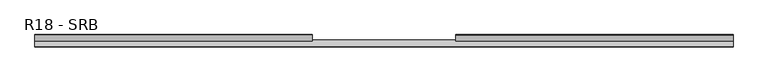
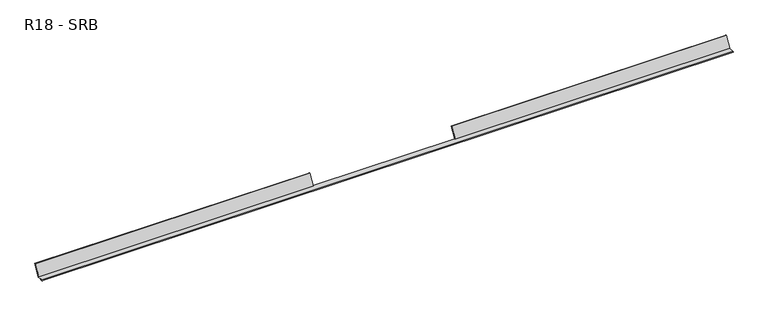
"""IFC4 building model written with IfcOpenShell, lengths in millimetres: proxy geometry, R18 - SRB."""

from ifc_helpers import new_model, si_unit, frame, origin, place, context, project, spatial, polyline, circle_curve, source, transform, mapped, element, save
from ifc_brep_helpers import plane_surface, cylinder_surface, revolved_surface, advanced_brep


def r18_srb_7fc85b00(model_context):
    return source(origin(), model_context, "Body", "AdvancedBrep", [
        advanced_brep(
        [(1625.0, 30.9137005, 26.8467875), (929.5, 30.9137005, 26.8467875), (929.5, 30.0476751, 27.3467875), (1625.0, 30.0476751, 27.3467875), (1625.0, 15.8910508, 0.8267949), (1625.0, 15.3137005, -0.1732051), (929.5, 15.3137005, -0.1732051), (929.5, 15.8910508, 0.8267949), (929.5, 15.0250254, 1.3267949), (929.5, 14.7363503, 0.8267949), (1625.0, 14.7363503, 0.8267949), (1625.0, 15.0250254, 1.3267949), (570.5, 15.8910508, 0.8267949), (570.5, 15.3137005, -0.1732051), (-125.0, 15.3137005, -0.1732051), (-125.0, 15.8910508, 0.8267949), (-125.0, 30.9137005, 26.8467875), (570.5, 30.9137005, 26.8467875), (-125.0, 15.0250254, 1.3267949), (-125.0, 14.7363503, 0.8267949), (570.5, 14.7363503, 0.8267949), (570.5, 15.0250254, 1.3267949), (570.5, 30.0476751, 27.3467875), (-125.0, 30.0476751, 27.3467875), (-125.0, 14.159, 0.8267949), (-125.0, 14.159, -0.1732051), (-125.0, 1.5637005, 0.8267949), (1625.0, 1.5637005, 0.8267949), (1625.0, 14.159, 0.8267949), (929.5, 14.159, 0.8267949), (928.5, 14.159, 0.8267949), (928.5, 17.159, 0.8267949), (571.5, 17.159, 0.8267949), (571.5, 14.159, 0.8267949), (570.5, 14.159, 0.8267949), (929.5, 14.159, -0.1732051), (928.5, 14.159, -0.1732051), (928.5, 17.159, -0.1732051), (571.5, 14.159, -0.1732051), (571.5, 17.159, -0.1732051), (570.5, 14.159, -0.1732051), (-125.0, 1.5637005, -1.6732051), (-125.0, 1.5637005, -0.6732051), (-125.0, 6.3137005, -0.6732051), (-125.0, 6.3137005, -1.6732051), (1625.0, 1.5637005, -1.6732051), (1625.0, 1.5637005, -0.6732051), (1625.0, 1.5637005, -0.1732051), (1625.0, 6.3137005, -1.6732051), (1625.0, 6.3137005, -0.6732051), (-125.0, 1.5637005, -0.1732051), (1625.0, 14.159, -0.1732051)],
        [
            (0, 1),
            (1, 2),
            (2, 3),
            (3, 0),
            (0, 4),
            (4, 5),
            (5, 6),
            (6, 7),
            (7, 1),
            (2, 8),
            (8, 9),
            (9, 10),
            (10, 11),
            (11, 3),
            (12, 13),
            (13, 14),
            (14, 15),
            (15, 16),
            (16, 17),
            (17, 12),
            (18, 19),
            (19, 20),
            (20, 21),
            (21, 22),
            (22, 23),
            (23, 18),
            (24, 19),
            (18, 15),
            (14, 25),
            (25, 24),
            (24, 26),
            (26, 27),
            (27, 28),
            (28, 10),
            (9, 29),
            (29, 30),
            (30, 31),
            (31, 32),
            (32, 33),
            (33, 34),
            (34, 20),
            (8, 7),
            (6, 35),
            (35, 29),
            (30, 36),
            (36, 37),
            (37, 31),
            (38, 33),
            (32, 39),
            (39, 38),
            (37, 39),
            (35, 36),
            (38, 40),
            (40, 34),
            (41, 42),
            (42, 43),
            (43, 44),
            (44, 41),
            (45, 46),
            (46, 47, circle_curve(frame((1625.0, 1.5637005, -0.4232051), z_axis=(-1.0, 0.0, 0.0), x_axis=(0.0, 0.0, 1.0)), 0.25)),
            (47, 27),
            (27, 45, circle_curve(frame((1625.0, 1.5637005, -0.4232051), z_axis=(1.0, 0.0, 0.0), x_axis=(0.0, 0.0, -1.0)), 1.25)),
            (26, 41, circle_curve(frame((-125.0, 1.5637005, -0.4232051), z_axis=(1.0, 0.0, 0.0), x_axis=(0.0, 0.0, -1.0)), 1.25)),
            (41, 45),
            (44, 48),
            (48, 45),
            (43, 49),
            (49, 48),
            (42, 46),
            (46, 49),
            (42, 50, circle_curve(frame((-125.0, 1.5637005, -0.4232051), z_axis=(-1.0, 0.0, 0.0), x_axis=(0.0, 0.0, 1.0)), 0.25)),
            (50, 47),
            (26, 50),
            (25, 50),
            (47, 51),
            (51, 28),
            (51, 5),
            (4, 11),
            (40, 13),
            (12, 21),
            (22, 17),
            (16, 23),
        ],
        [
            plane_surface(frame((1500.0, 30.0476751, 27.3467875), z_axis=(0.0, 0.500000000000001, 0.8660254037844382), x_axis=(0.0, -0.8660254037844382, 0.500000000000001))),
            plane_surface(frame((750.0, 22.3253846, 11.9713879), z_axis=(0.0, 0.866025403784438, -0.500000000000001), x_axis=(1.0, 0.0, 0.0))),
            plane_surface(frame((750.0, 21.4593592, 12.4713879), z_axis=(0.0, -0.866025403784438, 0.500000000000001), x_axis=(1.0, 0.0, 0.0))),
            plane_surface(frame((-125.0, 14.159, 0.8267949), z_axis=(-1.0, 0.0, 0.0), x_axis=(0.0, 0.0, 1.0))),
            plane_surface(frame((222.75, 7.9903325, 0.8267949), z_axis=(0.0, 0.0, 1.0), x_axis=(-1.0, 0.0, 0.0))),
            plane_surface(frame((929.5, 14.159, 0.8267949), z_axis=(-1.0, 0.0, 0.0), x_axis=(0.0, 0.0, 1.0))),
            plane_surface(frame((928.5, 14.159, 0.8267949), z_axis=(1.0, 0.0, 0.0), x_axis=(0.0, 0.0, -1.0))),
            plane_surface(frame((571.5, 14.159, -0.1732051), z_axis=(-1.0, 0.0, 0.0), x_axis=(0.0, 0.0, 1.0))),
            plane_surface(frame((750.0, 17.159, 0.3267949), z_axis=(0.0, 1.0, 0.0), x_axis=(0.0, 0.0, 1.0))),
            plane_surface(frame((570.5, 14.159, -0.1732051), z_axis=(0.0, 1.0, 0.0), x_axis=(0.0, 0.0, 1.0))),
            plane_surface(frame((1625.0, 14.159, -0.1732051), z_axis=(1.0, 0.0, 0.0), x_axis=(0.0, 0.0, -1.0))),
            cylinder_surface(frame((1625.0, 1.5637005, -0.4232051), z_axis=(-1.0, 0.0, 0.0), x_axis=(0.0, 0.0, -1.0)), 1.25),
            plane_surface(frame((1625.0, 1.5637005, -1.6732051), z_axis=(0.0, 0.0, -1.0), x_axis=(-1.0, 0.0, 0.0))),
            plane_surface(frame((1625.0, 6.3137005, -1.6732051), z_axis=(0.0, 1.0, 0.0), x_axis=(0.0, 0.0, 1.0))),
            plane_surface(frame((1625.0, 6.3137005, -0.6732051), z_axis=(0.0, 0.0, 1.0), x_axis=(1.0, 0.0, 0.0))),
            revolved_surface(polyline([(-125.0, 1.5637005, -0.1732051), (1625.0, 1.5637005, -0.1732051)]), (1625.0, 1.5637005, -0.4232051), (-1.0, 0.0, 0.0)),
            plane_surface(frame((570.5, 14.159, -0.1732051), z_axis=(1.0, 0.0, 0.0), x_axis=(0.0, 0.0, -1.0))),
            plane_surface(frame((222.75, 7.9903325, -0.1732051), z_axis=(0.0, 0.0, -1.0), x_axis=(-1.0, 0.0, 0.0))),
        ],
        [
            (0, [[1, 2, 3, 4]]),
            (1, [[-1, 5, 6, 7, 8, 9]]),
            (2, [[-3, 10, 11, 12, 13, 14]]),
            (1, [[15, 16, 17, 18, 19, 20]]),
            (2, [[21, 22, 23, 24, 25, 26]]),
            (3, [[27, -21, 28, -17, 29, 30]]),
            (4, [[-27, 31, 32, 33, 34, -12, 35, 36, 37, 38, 39, 40, 41, -22]]),
            (5, [[-35, -11, 42, -8, 43, 44]]),
            (6, [[45, 46, 47, -37]]),
            (7, [[48, -39, 49, 50]]),
            (8, [[-49, -38, -47, 51]]),
            (9, [[-45, -36, -44, 52]]),
            (9, [[-48, 53, 54, -40]]),
            (3, [[55, 56, 57, 58]]),
            (10, [[59, 60, 61, 62]]),
            (11, [[63, 64, -62, -32]]),
            (12, [[-58, 65, 66, -64]]),
            (13, [[-57, 67, 68, -65]]),
            (14, [[-56, 69, 70, -67]]),
            (15, [[71, 72, -60, -69]]),
            (10, [[-59, -66, -68, -70]]),
            (3, [[-55, -63, 73, -71]]),
            (3, [[-73, -31, -30, 74]]),
            (10, [[-61, 75, 76, -33]]),
            (10, [[-13, -34, -76, 77, -6, 78]]),
            (5, [[-42, -10, -2, -9]]),
            (10, [[-78, -5, -4, -14]]),
            (16, [[-23, -41, -54, 79, -15, 80]]),
            (17, [[-53, -50, -51, -46, -52, -43, -7, -77, -75, -72, -74, -29, -16, -79]]),
            (0, [[81, -19, 82, -25]]),
            (3, [[-28, -26, -82, -18]]),
            (16, [[-80, -20, -81, -24]]),
        ],
    ),
    ])


if __name__ == "__main__":
    model = new_model("IFC4")
    model_context = context("Model", 3, world=origin())
    ifc_project = project(units=[si_unit("LENGTHUNIT", "METRE", prefix="MILLI")], contexts=[model_context])
    site = spatial("IfcSite", under=ifc_project)
    building = spatial("IfcBuilding", under=site)
    placement = place(None, origin())
    r18_srb_shape = r18_srb_7fc85b00(model_context)
    element("IfcBuildingElementProxy", 1, Name="R18 - SRB", ObjectType="R18 - SRB", at=placement, inside=building, context=model_context, shape_type="MappedRepresentation", body=[
        mapped(r18_srb_shape, transform((0.0, 0.0, 0.0), x_axis=(1.0, 0.0, 0.0), y_axis=(0.0, 1.0, 0.0), z_axis=(0.0, 0.0, 1.0))),
    ])
    save(model, "model.ifc")
